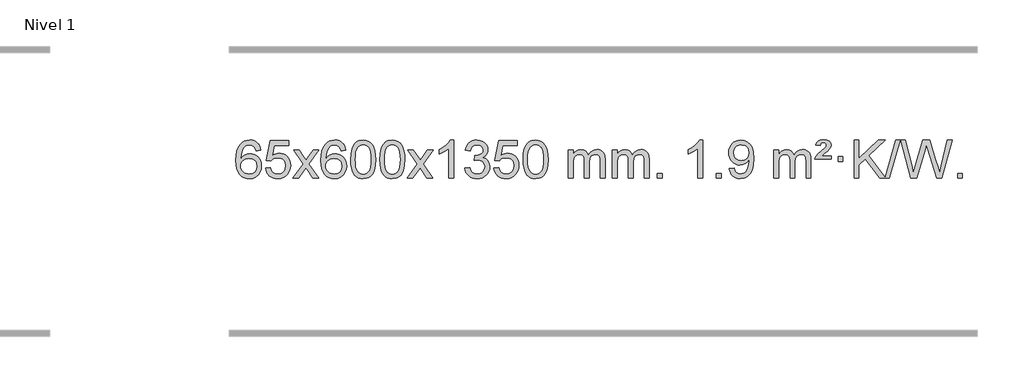
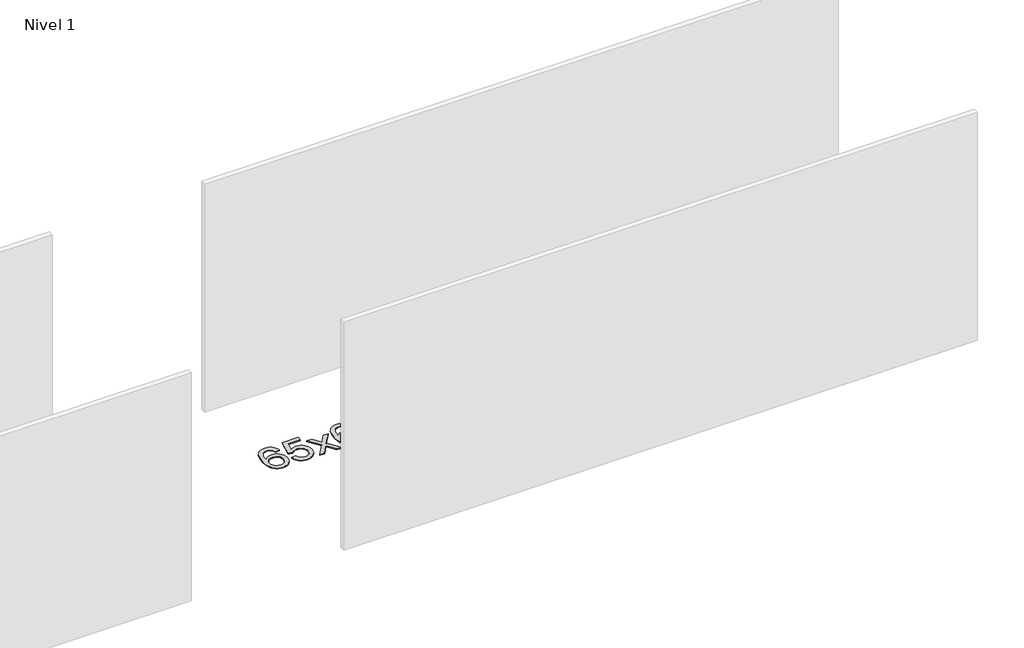
# One storey, part 7 of 10: 1 proxy.
"""IFC4 building model written with IfcOpenShell, lengths in millimetres."""

import ifcopenshell
import ifcopenshell.guid

model = None  # the IFC model being written
_history = None  # IfcOwnerHistory: only IFC2X3 demands one
_inside = {}  # id of a spatial element -> (the spatial element, [elements in it])
_under = {}  # id of a project, library or spatial element -> (it, [spatial elements below it])
_declared = {}  # id of a project -> (the project, [libraries it declares])
_typed = {}  # id of a type object -> (the type object, [elements of that type])
_made_of = {}  # id of a material, layer set ... -> (it, [elements and type objects made of it])


def new_model(schema):
    """Start an empty IFC model of exactly this schema.

    Asked for "IFC4X3", IfcOpenShell would pick the latest addendum, in which some entities
    have other attributes; the version numbers below select the first issue.
    IFC2X3 requires an IfcOwnerHistory on every rooted entity: one is made here for all.
    """
    global model, _history
    if schema == "IFC4X3":
        model = ifcopenshell.file(schema_version=(4, 3, 0, 0))
    else:
        model = ifcopenshell.file(schema=schema)
    _inside.clear()
    _under.clear()
    _declared.clear()
    _typed.clear()
    _made_of.clear()
    _history = None
    if model.schema == "IFC2X3":
        org = make("IfcOrganization", Name="unknown")
        user = make(
            "IfcPersonAndOrganization",
            ThePerson=make("IfcPerson", FamilyName="unknown"),
            TheOrganization=org,
        )
        app = make(
            "IfcApplication",
            ApplicationDeveloper=org,
            Version="unknown",
            ApplicationFullName="unknown",
            ApplicationIdentifier="unknown",
        )
        _history = make(
            "IfcOwnerHistory",
            OwningUser=user,
            OwningApplication=app,
            ChangeAction="ADDED",
            CreationDate=0,
        )
    return model


def make(cls, **values):
    """One entity of the class cls with the attributes given. An attribute that is None is left unset."""
    return model.create_entity(
        cls, **{name: value for name, value in values.items() if value is not None}
    )


def rooted(cls, **values):
    """An entity with a GlobalId (a new one), such as an element, a storey or a relation."""
    return make(cls, GlobalId=ifcopenshell.guid.new(), OwnerHistory=_history, **values)


def si_unit(unit_type, name, prefix=None):
    """IfcSIUnit, for example si_unit("LENGTHUNIT", "METRE", prefix="MILLI")."""
    return make("IfcSIUnit", UnitType=unit_type, Prefix=prefix, Name=name)


def assignment(units):
    """IfcUnitAssignment: the units of a project."""
    return None if units is None else make("IfcUnitAssignment", Units=units)


def point(xyz):
    """IfcCartesianPoint."""
    return None if xyz is None else make("IfcCartesianPoint", Coordinates=xyz)


def direction(xyz):
    """IfcDirection."""
    return None if xyz is None else make("IfcDirection", DirectionRatios=xyz)


def frame(location, z_axis=None, x_axis=None):
    """IfcAxis2Placement3D, a coordinate frame: its origin and axes. An axis left out is left unset."""
    return make(
        "IfcAxis2Placement3D",
        Location=point(location),
        Axis=direction(z_axis),
        RefDirection=direction(x_axis),
    )


def origin():
    """The frame at (0, 0, 0) with its axes left unset."""
    return frame((0.0, 0.0, 0.0))


def origin_with_axes():
    """The frame at (0, 0, 0) with the z axis (0, 0, 1) and the x axis (1, 0, 0) written out."""
    return frame((0.0, 0.0, 0.0), z_axis=(0.0, 0.0, 1.0), x_axis=(1.0, 0.0, 0.0))


def place(relative_to, where):
    """IfcLocalPlacement: puts the frame where relative to a parent placement (None: the world)."""
    return make(
        "IfcLocalPlacement", PlacementRelTo=relative_to, RelativePlacement=where
    )


def context(
    kind, dimensions, precision=None, world=None, true_north=None, identifier=None
):
    """IfcGeometricRepresentationContext, for example the 3D "Model" context."""
    return make(
        "IfcGeometricRepresentationContext",
        ContextIdentifier=identifier,
        ContextType=kind,
        CoordinateSpaceDimension=dimensions,
        Precision=precision,
        WorldCoordinateSystem=world,
        TrueNorth=true_north,
    )


def project(units=None, contexts=None):
    """IfcProject with its units and contexts."""
    return rooted(
        "IfcProject",
        Name="project",
        RepresentationContexts=contexts,
        UnitsInContext=assignment(units),
    )


def spatial(cls, under=None, at=None, **own):
    """A site, building, storey or space (cls), placed at a placement, below another one or the project."""
    s = rooted(cls, ObjectPlacement=at, **own)
    if under is not None:
        _under.setdefault(under.id(), (under, []))[1].append(s)
    return s


def polyline(points):
    """IfcPolyline through the points."""
    return make("IfcPolyline", Points=[point(p) for p in points])


def outline(outer, holes=None, kind="AREA"):
    """IfcArbitraryClosedProfileDef: a profile drawn as a closed curve; with holes, ...WithVoids."""
    if holes is None:
        return make("IfcArbitraryClosedProfileDef", ProfileType=kind, OuterCurve=outer)
    return make(
        "IfcArbitraryProfileDefWithVoids",
        ProfileType=kind,
        OuterCurve=outer,
        InnerCurves=holes,
    )


def extrude(swept, where, along, depth):
    """IfcExtrudedAreaSolid: the profile swept, set in the frame where, extruded along a direction by depth."""
    return make(
        "IfcExtrudedAreaSolid",
        SweptArea=swept,
        Position=where,
        ExtrudedDirection=direction(along),
        Depth=depth,
    )


def shape(context_of_items, identifier, shape_type, items):
    """IfcShapeRepresentation: the items that make up one representation, for example the "Body"."""
    return make(
        "IfcShapeRepresentation",
        ContextOfItems=context_of_items,
        RepresentationIdentifier=identifier,
        RepresentationType=shape_type,
        Items=items,
    )


def made_of(thing, what):
    """Note that an element or type object is made of a material, layer set ...; save() writes the relation."""
    if what is not None:
        _made_of.setdefault(what.id(), (what, []))[1].append(thing)
    return thing


def element(
    cls,
    number,
    at=None,
    inside=None,
    cuts=None,
    type_object=None,
    material=None,
    context=None,
    identifier="Body",
    shape_type=None,
    held_by="IfcProductDefinitionShape",
    body=None,
    shapes=None,
    **own,
):
    """One element of the class cls, such as IfcWall. Its Tag is "e" and its number.

    at: its placement. inside: the storey or other place that contains it. cuts: it is an
    opening in that element (IfcRelVoidsElement). A single representation is given by context,
    identifier, shape_type and body (its items); several are given by shapes. held_by: the class
    of the entity that holds the representations. save() writes the other relations.
    """
    e = rooted(cls, Tag="e%d" % number, ObjectPlacement=at, **own)
    if body is not None:
        shapes = [shape(context, identifier, shape_type, body)]
    if shapes is not None:
        e.Representation = make(held_by, Representations=shapes)
    if inside is not None:
        _inside.setdefault(inside.id(), (inside, []))[1].append(e)
    if cuts is not None:
        rooted(
            "IfcRelVoidsElement", RelatingBuildingElement=cuts, RelatedOpeningElement=e
        )
    if type_object is not None:
        _typed.setdefault(type_object.id(), (type_object, []))[1].append(e)
    return made_of(e, material)


def aggregate(whole, parts):
    """IfcRelAggregates: a whole, such as a stair, and the parts it consists of."""
    return rooted("IfcRelAggregates", RelatingObject=whole, RelatedObjects=parts)


def save(model, path):
    """Write the relations noted so far, then the file.

    IfcRelAggregates (storeys below a building ...), IfcRelContainedInSpatialStructure (elements
    in a storey), IfcRelDefinesByType, IfcRelAssociatesMaterial and IfcRelDeclares: one each for
    every whole, place, type object, material and project.
    """
    for whole, parts in _under.values():
        aggregate(whole, parts)
    for where, things in _inside.values():
        rooted(
            "IfcRelContainedInSpatialStructure",
            RelatedElements=things,
            RelatingStructure=where,
        )
    for kind, things in _typed.values():
        rooted("IfcRelDefinesByType", RelatedObjects=things, RelatingType=kind)
    for what, things in _made_of.values():
        rooted("IfcRelAssociatesMaterial", RelatedObjects=things, RelatingMaterial=what)
    for by, libraries in _declared.values():
        rooted("IfcRelDeclares", RelatingContext=by, RelatedDefinitions=libraries)
    model.write(path)


model = new_model("IFC4")

# Units and contexts
model_context = context("Model", 3, world=origin())
ifc_project = project(units=[si_unit("LENGTHUNIT", "METRE", prefix="MILLI")], contexts=[model_context])

# Site, building, storey
site = spatial("IfcSite", under=ifc_project)
building = spatial("IfcBuilding", under=site)
storey = spatial("IfcBuildingStorey", under=building, Name="Nivel 1", Elevation=0.0)

# Proxy
placement = place(None, origin())
element("IfcBuildingElementProxy", 1, Name="Texto de modelo 1", ObjectType="Texto de modelo 1", at=placement, inside=storey, context=model_context, shape_type="SweptSolid", body=[
    extrude(outline(polyline([(-1498.7504157, -3100.4890419), (-1548.9785708, -3106.7675613), (-1557.0719747, -3081.874213), (-1568.0103327, -3064.8780648), (-1590.7944909, -3049.2062918), (-1618.3365896, -3043.9823675), (-1641.6848336, -3047.0235253), (-1663.6596514, -3056.1469988), (-1682.5319978, -3075.3627017), (-1697.9462534, -3101.8134171), (-1708.3573138, -3139.227016), (-1712.2200748, -3191.3313693), (-1692.0724042, -3167.8237098), (-1667.9270826, -3151.2567573), (-1641.1330106, -3141.434308), (-1613.0390889, -3138.1601582), (-1588.90603, -3140.398107), (-1566.6369065, -3147.1119534), (-1546.2317185, -3158.3016975), (-1527.690466, -3173.9673391), (-1512.2823418, -3193.1769106), (-1501.2765387, -3214.9984443), (-1494.6730569, -3239.4319401), (-1492.4718963, -3266.4773982), (-1496.6167001, -3302.4439945), (-1509.0511116, -3335.786366), (-1528.745061, -3364.0642287), (-1554.668479, -3384.8372987), (-1585.644143, -3397.602804), (-1620.4948306, -3401.8579724), (-1650.4373594, -3399.0375437), (-1677.4797517, -3390.5762579), (-1701.6220076, -3376.4741147), (-1722.8641272, -3356.7311143), (-1740.1821721, -3330.5133908), (-1752.5522042, -3296.9870783), (-1759.9742234, -3256.1521768), (-1762.4482298, -3208.0086864), (-1759.7013776, -3154.0342663), (-1751.4608209, -3107.9693092), (-1737.7265598, -3069.8138149), (-1718.4985942, -3039.5677835), (-1697.6580791, -3019.5243462), (-1673.4943634, -3005.2076052), (-1646.007447, -2996.6175606), (-1615.1973299, -2993.7542124), (-1592.0636838, -2995.5261773), (-1571.1250669, -3000.8420722), (-1552.3814792, -3009.7018969), (-1535.8329208, -3022.1056515), (-1521.9269814, -3037.6364031), (-1511.1112507, -3055.8772186), (-1503.3857288, -3076.8280983), (-1498.7504157, -3100.4890419)]), holes=[polyline([(-1712.2200748, -3265.6925832), (-1709.313807, -3287.9494439), (-1700.5950037, -3309.2007605), (-1687.0569463, -3327.472233), (-1669.6929161, -3340.7895612), (-1648.7359051, -3348.9197533), (-1624.4189053, -3351.6298173), (-1591.2727375, -3346.0134855), (-1577.357601, -3338.9930708), (-1565.2144295, -3329.1644901), (-1555.3643891, -3316.9262824), (-1548.3286459, -3302.6769865), (-1542.7000514, -3268.1451299), (-1548.2550695, -3234.9989621), (-1555.1988422, -3221.3781312), (-1564.9201239, -3209.725469), (-1577.1000836, -3200.3904634), (-1591.4198903, -3193.7226022), (-1626.4790444, -3188.3883133), (-1659.5761613, -3193.7226022), (-1687.25315, -3209.725469), (-1698.1761796, -3221.2248471), (-1705.9783436, -3234.3858254), (-1710.659642, -3249.2084042), (-1712.2200748, -3265.6925832)])]), origin_with_axes(), (0.0, 0.0, 1.0), 10.0),
    extrude(outline(polyline([(-1448.5222606, -3288.8446235), (-1398.2941056, -3282.5661041), (-1389.0725302, -3312.7201649), (-1372.9838243, -3334.3148381), (-1350.1015642, -3347.3010725), (-1320.4993263, -3351.6298173), (-1301.3694626, -3350.1245668), (-1284.4959417, -3345.6088153), (-1269.8787638, -3338.0825628), (-1257.5179287, -3327.5458094), (-1247.6893481, -3314.519721), (-1240.6689334, -3299.5254641), (-1235.0526016, -3263.6324441), (-1240.3133141, -3229.8363514), (-1246.8892048, -3215.9181493), (-1256.0954517, -3203.9865099), (-1267.9627117, -3194.4154467), (-1282.5216417, -3187.5789729), (-1319.7145114, -3182.1097939), (-1344.0805622, -3184.2925604), (-1363.8112999, -3190.8408599), (-1379.568912, -3200.8717757), (-1392.0155862, -3213.5023908), (-1442.2437412, -3207.2238715), (-1398.2941056, -3000.0327318), (-1203.6600046, -3000.0327318), (-1203.6600046, -3050.2608869), (-1357.6799333, -3050.2608869), (-1379.1642418, -3160.919791), (-1361.438461, -3148.2155994), (-1343.2834845, -3139.1411769), (-1324.6993124, -3133.6965234), (-1305.6859446, -3131.8816388), (-1281.2248576, -3134.1318504), (-1258.7564648, -3140.882485), (-1238.2807661, -3152.1335427), (-1219.7977615, -3167.8850234), (-1204.4969362, -3187.1743027), (-1193.5677752, -3209.038756), (-1187.0102787, -3233.4783832), (-1184.8244465, -3260.4931844), (-1186.7926152, -3286.5147042), (-1192.6971212, -3310.7213394), (-1202.5379646, -3333.1130902), (-1216.3151453, -3353.6899565), (-1237.1863171, -3374.7634634), (-1261.5401052, -3389.8159684), (-1289.3765095, -3398.8474714), (-1320.69553, -3401.8579724), (-1346.6158823, -3399.9235262), (-1370.0285056, -3394.1201877), (-1390.9334, -3384.447957), (-1409.3305654, -3370.9068338), (-1424.6375221, -3354.1712688), (-1436.2717902, -3334.915712), (-1444.2333697, -3313.1401636), (-1448.5222606, -3288.8446235)])), origin_with_axes(), (0.0, 0.0, 1.0), 10.0),
    extrude(outline(polyline([(-1159.7103689, -3395.579453), (-1052.3869282, -3247.2494325), (-1153.4318496, -3100.4890419), (-1093.0011005, -3100.4890419), (-1044.2444734, -3171.122385), (-1021.4848406, -3204.4770192), (-1001.7663657, -3177.2047007), (-946.2407099, -3100.4890419), (-885.8099608, -3100.4890419), (-991.9561791, -3247.2494325), (-889.7340354, -3395.579453), (-950.1647845, -3395.579453), (-1011.6746541, -3306.4048574), (-1022.9563686, -3290.1199477), (-1099.2796199, -3395.579453), (-1159.7103689, -3395.579453)])), origin_with_axes(), (0.0, 0.0, 1.0), 10.0),
    extrude(outline(polyline([(-600.9221437, -3100.4890419), (-651.1502988, -3106.7675613), (-659.2437027, -3081.874213), (-670.1820607, -3064.8780648), (-692.9662189, -3049.2062918), (-720.5083176, -3043.9823675), (-743.8565616, -3047.0235253), (-765.8313794, -3056.1469988), (-784.7037258, -3075.3627017), (-800.1179814, -3101.8134171), (-810.5290419, -3139.227016), (-814.3918028, -3191.3313693), (-794.2441322, -3167.8237098), (-770.0988106, -3151.2567573), (-743.3047386, -3141.434308), (-715.2108169, -3138.1601582), (-691.077758, -3140.398107), (-668.8086346, -3147.1119534), (-648.4034466, -3158.3016975), (-629.862194, -3173.9673391), (-614.4540698, -3193.1769106), (-603.4482668, -3214.9984443), (-596.844785, -3239.4319401), (-594.6436244, -3266.4773982), (-598.7884282, -3302.4439945), (-611.2228396, -3335.786366), (-630.9167891, -3364.0642287), (-656.840207, -3384.8372987), (-687.815871, -3397.602804), (-722.6665587, -3401.8579724), (-752.6090874, -3399.0375437), (-779.6514797, -3390.5762579), (-803.7937357, -3376.4741147), (-825.0358552, -3356.7311143), (-842.3539001, -3330.5133908), (-854.7239322, -3296.9870783), (-862.1459515, -3256.1521768), (-864.6199579, -3208.0086864), (-861.8731057, -3154.0342663), (-853.632549, -3107.9693092), (-839.8982878, -3069.8138149), (-820.6703222, -3039.5677835), (-799.8298072, -3019.5243462), (-775.6660915, -3005.2076052), (-748.179175, -2996.6175606), (-717.3690579, -2993.7542124), (-694.2354118, -2995.5261773), (-673.2967949, -3000.8420722), (-654.5532073, -3009.7018969), (-638.0046489, -3022.1056515), (-624.0987094, -3037.6364031), (-613.2829788, -3055.8772186), (-605.5574569, -3076.8280983), (-600.9221437, -3100.4890419)]), holes=[polyline([(-814.3918028, -3265.6925832), (-811.485535, -3287.9494439), (-802.7667318, -3309.2007605), (-789.2286743, -3327.472233), (-771.8646442, -3340.7895612), (-750.9076332, -3348.9197533), (-726.5906333, -3351.6298173), (-693.4444655, -3346.0134855), (-679.5293291, -3338.9930708), (-667.3861575, -3329.1644901), (-657.5361171, -3316.9262824), (-650.500374, -3302.6769865), (-644.8717794, -3268.1451299), (-650.4267976, -3234.9989621), (-657.3705702, -3221.3781312), (-667.0918519, -3209.725469), (-679.2718117, -3200.3904634), (-693.5916183, -3193.7226022), (-728.6507725, -3188.3883133), (-761.7478893, -3193.7226022), (-789.4248781, -3209.725469), (-800.3479076, -3221.2248471), (-808.1500716, -3234.3858254), (-812.83137, -3249.2084042), (-814.3918028, -3265.6925832)])]), origin_with_axes(), (0.0, 0.0, 1.0), 10.0),
    extrude(outline(polyline([(-550.6939887, -3197.9041943), (-547.002906, -3133.5861588), (-535.9296579, -3082.2911459), (-517.5846091, -3043.2343407), (-505.7265461, -3028.0009605), (-492.0781241, -3015.6309284), (-476.5933578, -3006.0598651), (-459.2262619, -2999.2233914), (-418.8450816, -2993.7542124), (-387.8939431, -2996.991574), (-360.1801661, -3006.7036586), (-337.0036004, -3022.5103217), (-319.6640957, -3044.0314184), (-306.5674967, -3071.0830078), (-296.119648, -3103.4811488), (-289.2770429, -3144.6226186), (-286.9961745, -3197.9041943), (-290.650469, -3261.8543477), (-301.6133525, -3313.0267333), (-319.8480367, -3352.1203266), (-331.6785085, -3367.3996922), (-345.3177335, -3379.8341036), (-360.8208939, -3389.4695462), (-378.2431721, -3396.3520052), (-418.8450816, -3401.8579724), (-446.5098076, -3399.4667394), (-471.035274, -3392.2930405), (-492.4214806, -3380.3368757), (-510.6684276, -3363.5982449), (-528.1796106, -3333.3399508), (-540.6875984, -3295.6381776), (-548.1923911, -3250.4929255), (-550.6939887, -3197.9041943)]), holes=[polyline([(-500.4658336, -3197.8060924), (-498.9943056, -3241.4706195), (-494.5797217, -3276.8148822), (-487.2220818, -3303.8388804), (-476.9213859, -3322.5426142), (-464.462449, -3335.2682656), (-450.630086, -3344.3580165), (-435.4242968, -3349.8118671), (-418.8450816, -3351.6298173), (-402.2658663, -3349.8057357), (-387.0600772, -3344.3334911), (-373.2277142, -3335.2130833), (-360.7687773, -3322.4445124), (-350.4680814, -3303.7101217), (-343.1104415, -3276.6922549), (-338.6958576, -3241.3909118), (-337.2243296, -3197.8060924), (-338.6468066, -3155.2973278), (-342.9142378, -3120.5753989), (-350.026623, -3093.6403055), (-359.9839624, -3074.4920476), (-372.2344328, -3061.1440625), (-386.2262114, -3051.6097875), (-401.959298, -3045.8892225), (-419.4336928, -3043.9823675), (-435.9270689, -3045.6623619), (-450.8753406, -3050.7023452), (-464.278508, -3059.1023175), (-476.136571, -3070.8622786), (-486.7806234, -3091.708925), (-494.3835179, -3119.8151094), (-498.9452547, -3155.1808319), (-500.4658336, -3197.8060924)])]), origin_with_axes(), (0.0, 0.0, 1.0), 10.0),
    extrude(outline(polyline([(-243.0465388, -3197.9041943), (-239.3554561, -3133.5861588), (-228.2822081, -3082.2911459), (-209.9371593, -3043.2343407), (-198.0790963, -3028.0009605), (-184.4306743, -3015.6309284), (-168.945908, -3006.0598651), (-151.5788121, -2999.2233914), (-111.1976318, -2993.7542124), (-80.2464932, -2996.991574), (-52.5327163, -3006.7036586), (-29.3561506, -3022.5103217), (-12.0166459, -3044.0314184), (1.0799532, -3071.0830078), (11.5278018, -3103.4811488), (18.3704069, -3144.6226186), (20.6512753, -3197.9041943), (16.9969808, -3261.8543477), (6.0340974, -3313.0267333), (-12.2005869, -3352.1203266), (-24.0310587, -3367.3996922), (-37.6702837, -3379.8341036), (-53.1734441, -3389.4695462), (-70.5957222, -3396.3520052), (-111.1976318, -3401.8579724), (-138.8623578, -3399.4667394), (-163.3878241, -3392.2930405), (-184.7740308, -3380.3368757), (-203.0209778, -3363.5982449), (-220.5321607, -3333.3399508), (-233.0401486, -3295.6381776), (-240.5449413, -3250.4929255), (-243.0465388, -3197.9041943)]), holes=[polyline([(-192.8183838, -3197.8060924), (-191.3468558, -3241.4706195), (-186.9322718, -3276.8148822), (-179.5746319, -3303.8388804), (-169.2739361, -3322.5426142), (-156.8149992, -3335.2682656), (-142.9826361, -3344.3580165), (-127.776847, -3349.8118671), (-111.1976318, -3351.6298173), (-94.6184165, -3349.8057357), (-79.4126274, -3344.3334911), (-65.5802644, -3335.2130833), (-53.1213275, -3322.4445124), (-42.8206316, -3303.7101217), (-35.4629917, -3276.6922549), (-31.0484077, -3241.3909118), (-29.5768798, -3197.8060924), (-30.9993568, -3155.2973278), (-35.266788, -3120.5753989), (-42.3791732, -3093.6403055), (-52.3365125, -3074.4920476), (-64.586983, -3061.1440625), (-78.5787615, -3051.6097875), (-94.3118482, -3045.8892225), (-111.786243, -3043.9823675), (-128.2796191, -3045.6623619), (-143.2278908, -3050.7023452), (-156.6310582, -3059.1023175), (-168.4891211, -3070.8622786), (-179.1331735, -3091.708925), (-186.7360681, -3119.8151094), (-191.2978048, -3155.1808319), (-192.8183838, -3197.8060924)])]), origin_with_axes(), (0.0, 0.0, 1.0), 10.0),
    extrude(outline(polyline([(45.7653528, -3395.579453), (153.0887936, -3247.2494325), (52.0438722, -3100.4890419), (112.4746213, -3100.4890419), (161.2312484, -3171.122385), (183.9908812, -3204.4770192), (203.7093561, -3177.2047007), (259.2350119, -3100.4890419), (319.665761, -3100.4890419), (213.5195426, -3247.2494325), (315.7416864, -3395.579453), (255.3109373, -3395.579453), (193.8010677, -3306.4048574), (182.5193532, -3290.1199477), (106.1961019, -3395.579453), (45.7653528, -3395.579453)])), origin_with_axes(), (0.0, 0.0, 1.0), 10.0),
    extrude(outline(polyline([(535.4898648, -3395.579453), (485.2617098, -3395.579453), (485.2617098, -3082.4382987), (464.292436, -3099.3976587), (437.682305, -3116.3324932), (384.8053996, -3141.6918254), (384.8053996, -3094.2105225), (424.2546122, -3072.7507395), (458.4308496, -3047.219729), (485.3720743, -3020.0700378), (503.1162492, -2993.7542124), (535.4898648, -2993.7542124), (535.4898648, -3395.579453)])), origin_with_axes(), (0.0, 0.0, 1.0), 10.0),
    extrude(outline(polyline([(654.7817331, -3288.8446235), (705.0098882, -3282.5661041), (716.2548145, -3314.1303793), (732.7236652, -3335.4430095), (755.2257805, -3347.5831154), (784.570501, -3351.6298173), (819.0042558, -3346.0625364), (833.2780772, -3339.1034354), (845.5898613, -3329.3606939), (862.5860095, -3304.4428201), (868.2513922, -3274.2274455), (862.6350604, -3245.5449126), (845.786065, -3222.2825078), (820.27958, -3206.8682522), (788.6907794, -3201.730167), (753.4722097, -3207.2238715), (759.064016, -3156.9957164), (767.108369, -3157.5843276), (797.2011162, -3153.979084), (824.1055528, -3143.1633534), (835.1788008, -3134.9841103), (843.0882637, -3124.8673555), (847.8339415, -3112.8130888), (849.415834, -3098.8213102), (844.8295718, -3077.1285352), (831.0707852, -3059.5315131), (810.076986, -3047.8696539), (783.7856861, -3043.9823675), (757.4453352, -3047.9064421), (735.9119758, -3059.6786659), (720.1911519, -3079.299039), (711.2884076, -3106.7675613), (661.0602525, -3100.4890419), (667.0138095, -3076.5092672), (675.8491087, -3055.3867093), (687.5661503, -3037.1213683), (702.1649341, -3021.713244), (719.1856078, -3009.4811677), (738.1683187, -3000.7439703), (759.113067, -2995.5016519), (782.0198525, -2993.7542124), (813.5963904, -2997.2000404), (842.5977544, -3007.5375245), (867.0496443, -3023.8469596), (884.9777602, -3045.2086408), (895.9774319, -3069.8199463), (899.6439891, -3095.8782543), (896.1613729, -3120.1584659), (885.7135242, -3142.1823347), (868.4475959, -3160.9443165), (844.5107408, -3175.4388671), (875.9523886, -3188.1430586), (899.2515817, -3209.77452), (913.6725559, -3239.1560286), (918.4795473, -3275.1103623), (916.0760516, -3300.5923218), (908.8655645, -3324.0631931), (896.848086, -3345.5229762), (880.023616, -3364.971671), (859.5264575, -3381.1094278), (836.4909133, -3392.636397), (810.9169832, -3399.5525785), (782.8046674, -3401.8579724), (757.3962843, -3399.8898037), (734.2442441, -3393.9852977), (713.3485468, -3384.1444543), (694.7091923, -3370.3672736), (679.0803389, -3353.4630959), (667.2161446, -3334.2412617), (659.1166093, -3312.7017708), (654.7817331, -3288.8446235)])), origin_with_axes(), (0.0, 0.0, 1.0), 10.0),
    extrude(outline(polyline([(962.429183, -3288.8446235), (1012.657338, -3282.5661041), (1021.8789134, -3312.7201649), (1037.9676193, -3334.3148381), (1060.8498794, -3347.3010725), (1090.4521173, -3351.6298173), (1109.581981, -3350.1245668), (1126.4555019, -3345.6088153), (1141.0726798, -3338.0825628), (1153.4335149, -3327.5458094), (1163.2620955, -3314.519721), (1170.2825102, -3299.5254641), (1175.898842, -3263.6324441), (1170.6381295, -3229.8363514), (1164.0622388, -3215.9181493), (1154.8559919, -3203.9865099), (1142.9887319, -3194.4154467), (1128.4298019, -3187.5789729), (1091.2369322, -3182.1097939), (1066.8708814, -3184.2925604), (1047.1401437, -3190.8408599), (1031.3825316, -3200.8717757), (1018.9358574, -3213.5023908), (968.7077023, -3207.2238715), (1012.657338, -3000.0327318), (1207.291439, -3000.0327318), (1207.291439, -3050.2608869), (1053.2715103, -3050.2608869), (1031.7872018, -3160.919791), (1049.5129826, -3148.2155994), (1067.667959, -3139.1411769), (1086.2521312, -3133.6965234), (1105.265499, -3131.8816388), (1129.726586, -3134.1318504), (1152.1949788, -3140.882485), (1172.6706775, -3152.1335427), (1191.1536821, -3167.8850234), (1206.4545074, -3187.1743027), (1217.3836684, -3209.038756), (1223.9411649, -3233.4783832), (1226.1269971, -3260.4931844), (1224.1588284, -3286.5147042), (1218.2543224, -3310.7213394), (1208.413479, -3333.1130902), (1194.6362983, -3353.6899565), (1173.7651265, -3374.7634634), (1149.4113384, -3389.8159684), (1121.5749341, -3398.8474714), (1090.2559136, -3401.8579724), (1064.3355613, -3399.9235262), (1040.922938, -3394.1201877), (1020.0180436, -3384.447957), (1001.6208782, -3370.9068338), (986.3139215, -3354.1712688), (974.6796534, -3334.915712), (966.7180739, -3313.1401636), (962.429183, -3288.8446235)])), origin_with_axes(), (0.0, 0.0, 1.0), 10.0),
    extrude(outline(polyline([(1270.0766328, -3197.9041943), (1273.7677155, -3133.5861588), (1284.8409635, -3082.2911459), (1303.1860124, -3043.2343407), (1315.0440753, -3028.0009605), (1328.6924974, -3015.6309284), (1344.1772637, -3006.0598651), (1361.5443595, -2999.2233914), (1401.9255399, -2993.7542124), (1432.8766784, -2996.991574), (1460.5904554, -3006.7036586), (1483.7670211, -3022.5103217), (1501.1065258, -3044.0314184), (1514.2031248, -3071.0830078), (1524.6509735, -3103.4811488), (1531.4935786, -3144.6226186), (1533.7744469, -3197.9041943), (1530.1201525, -3261.8543477), (1519.157269, -3313.0267333), (1500.9225848, -3352.1203266), (1489.0921129, -3367.3996922), (1475.452888, -3379.8341036), (1459.9497276, -3389.4695462), (1442.5274494, -3396.3520052), (1401.9255399, -3401.8579724), (1374.2608138, -3399.4667394), (1349.7353475, -3392.2930405), (1328.3491408, -3380.3368757), (1310.1021939, -3363.5982449), (1292.5910109, -3333.3399508), (1280.0830231, -3295.6381776), (1272.5782304, -3250.4929255), (1270.0766328, -3197.9041943)]), holes=[polyline([(1320.3047879, -3197.8060924), (1321.7763158, -3241.4706195), (1326.1908998, -3276.8148822), (1333.5485397, -3303.8388804), (1343.8492356, -3322.5426142), (1356.3081725, -3335.2682656), (1370.1405355, -3344.3580165), (1385.3463246, -3349.8118671), (1401.9255399, -3351.6298173), (1418.5047551, -3349.8057357), (1433.7105442, -3344.3334911), (1447.5429073, -3335.2130833), (1460.0018442, -3322.4445124), (1470.30254, -3303.7101217), (1477.6601799, -3276.6922549), (1482.0747639, -3241.3909118), (1483.5462919, -3197.8060924), (1482.1238148, -3155.2973278), (1477.8563837, -3120.5753989), (1470.7439984, -3093.6403055), (1460.7866591, -3074.4920476), (1448.5361887, -3061.1440625), (1434.5444101, -3051.6097875), (1418.8113234, -3045.8892225), (1401.3369287, -3043.9823675), (1384.8435526, -3045.6623619), (1369.8952808, -3050.7023452), (1356.4921135, -3059.1023175), (1344.6340505, -3070.8622786), (1333.9899981, -3091.708925), (1326.3871035, -3119.8151094), (1321.8253668, -3155.1808319), (1320.3047879, -3197.8060924)])]), origin_with_axes(), (0.0, 0.0, 1.0), 10.0),
    extrude(outline(polyline([(1747.244106, -3395.579453), (1747.244106, -3100.4890419), (1797.4722611, -3100.4890419), (1797.4722611, -3149.0494653), (1812.5799483, -3126.7435537), (1832.0041177, -3109.2691589), (1855.0825815, -3097.9751816), (1881.1531522, -3094.2105225), (1909.0876584, -3098.048758), (1931.4794092, -3109.5634645), (1948.2057772, -3127.9943524), (1959.1441352, -3152.5811324), (1977.4523959, -3127.0439906), (1998.3358304, -3108.803175), (2021.794439, -3097.8586857), (2047.8282215, -3094.2105225), (2067.9360383, -3095.7280358), (2085.585177, -3100.2805755), (2100.7756377, -3107.8681416), (2113.5074204, -3118.4907342), (2123.5720587, -3132.2709806), (2130.761086, -3149.3315082), (2135.0745024, -3169.6723168), (2136.5123078, -3193.2934066), (2136.5123078, -3395.579453), (2086.2841528, -3395.579453), (2086.2841528, -3214.875817), (2085.1191931, -3189.8230531), (2081.6243142, -3172.9372695), (2075.0760146, -3161.3735121), (2064.7507933, -3152.2868268), (2051.4702533, -3146.4007149), (2036.0559977, -3144.4386776), (2008.8449928, -3149.4663982), (1986.6617085, -3164.54956), (1978.0563355, -3176.1194488), (1971.9096405, -3190.7182326), (1966.9922845, -3229.0024856), (1966.9922845, -3395.579453), (1916.7641294, -3395.579453), (1916.7641294, -3209.2840106), (1913.8578616, -3180.8835206), (1905.1390583, -3160.6254854), (1889.7983791, -3148.4853796), (1867.0264836, -3144.4386776), (1847.6758907, -3147.1364789), (1829.8458767, -3155.2298828), (1815.1305968, -3168.5226856), (1805.1242066, -3186.8186835), (1799.3852475, -3212.2025411), (1797.4722611, -3246.7589232), (1797.4722611, -3395.579453), (1747.244106, -3395.579453)])), origin_with_axes(), (0.0, 0.0, 1.0), 10.0),
    extrude(outline(polyline([(2211.8545404, -3395.579453), (2211.8545404, -3100.4890419), (2262.0826955, -3100.4890419), (2262.0826955, -3149.0494653), (2277.1903828, -3126.7435537), (2296.6145521, -3109.2691589), (2319.693016, -3097.9751816), (2345.7635867, -3094.2105225), (2373.6980929, -3098.048758), (2396.0898436, -3109.5634645), (2412.8162117, -3127.9943524), (2423.7545697, -3152.5811324), (2442.0628303, -3127.0439906), (2462.9462649, -3108.803175), (2486.4048734, -3097.8586857), (2512.438656, -3094.2105225), (2532.5464727, -3095.7280358), (2550.1956114, -3100.2805755), (2565.3860721, -3107.8681416), (2578.1178548, -3118.4907342), (2588.1824931, -3132.2709806), (2595.3715204, -3149.3315082), (2599.6849368, -3169.6723168), (2601.1227423, -3193.2934066), (2601.1227423, -3395.579453), (2550.8945872, -3395.579453), (2550.8945872, -3214.875817), (2549.7296276, -3189.8230531), (2546.2347486, -3172.9372695), (2539.6864491, -3161.3735121), (2529.3612278, -3152.2868268), (2516.0806877, -3146.4007149), (2500.6664321, -3144.4386776), (2473.4554272, -3149.4663982), (2451.2721429, -3164.54956), (2442.6667699, -3176.1194488), (2436.5200749, -3190.7182326), (2431.6027189, -3229.0024856), (2431.6027189, -3395.579453), (2381.3745638, -3395.579453), (2381.3745638, -3209.2840106), (2378.4682961, -3180.8835206), (2369.7494928, -3160.6254854), (2354.4088136, -3148.4853796), (2331.6369181, -3144.4386776), (2312.2863251, -3147.1364789), (2294.4563111, -3155.2298828), (2279.7410313, -3168.5226856), (2269.734641, -3186.8186835), (2263.9956819, -3212.2025411), (2262.0826955, -3246.7589232), (2262.0826955, -3395.579453), (2211.8545404, -3395.579453)])), origin_with_axes(), (0.0, 0.0, 1.0), 10.0),
    extrude(outline(polyline([(2689.0220137, -3395.579453), (2689.0220137, -3345.3512979), (2739.2501687, -3345.3512979), (2739.2501687, -3395.579453), (2689.0220137, -3395.579453)])), origin_with_axes(), (0.0, 0.0, 1.0), 10.0),
    extrude(outline(polyline([(3166.1894869, -3395.579453), (3115.9613318, -3395.579453), (3115.9613318, -3082.4382987), (3094.9920581, -3099.3976587), (3068.3819271, -3116.3324932), (3015.5050216, -3141.6918254), (3015.5050216, -3094.2105225), (3054.9542343, -3072.7507395), (3089.1304716, -3047.219729), (3116.0716964, -3020.0700378), (3133.8158713, -2993.7542124), (3166.1894869, -2993.7542124), (3166.1894869, -3395.579453)])), origin_with_axes(), (0.0, 0.0, 1.0), 10.0),
    extrude(outline(polyline([(3310.5954327, -3395.579453), (3310.5954327, -3345.3512979), (3360.8235878, -3345.3512979), (3360.8235878, -3395.579453), (3310.5954327, -3395.579453)])), origin_with_axes(), (0.0, 0.0, 1.0), 10.0),
    extrude(outline(polyline([(3448.7228592, -3295.1231428), (3498.9510142, -3288.8446235), (3507.5349275, -3317.3554781), (3521.5144433, -3336.7673847), (3540.5462052, -3347.9142092), (3564.2868566, -3351.6298173), (3585.5872241, -3349.2385843), (3604.9500798, -3342.0648854), (3621.0387857, -3330.8935355), (3632.516704, -3316.5093495), (3648.9487664, -3272.8540194), (3654.3934199, -3244.4535294), (3656.2083044, -3214.5815114), (3655.9139988, -3204.7713248), (3638.5131805, -3226.0103787), (3615.741285, -3242.8348486), (3589.2415186, -3253.7977321), (3560.6570876, -3257.4520265), (3536.7968745, -3255.2202091), (3514.8557792, -3248.5247568), (3494.8338016, -3237.3656696), (3476.7309417, -3221.7429475), (3461.7305534, -3202.4720624), (3451.0159903, -3180.3684858), (3444.5872524, -3155.4322179), (3442.4443398, -3127.6632586), (3444.6914856, -3098.968463), (3451.4329232, -3073.2167234), (3462.6686525, -3050.4080397), (3478.3986734, -3030.5424119), (3497.5132088, -3014.4475746), (3518.9024811, -3002.9512623), (3542.5664905, -2996.0534749), (3568.5052368, -2993.7542124), (3605.9678866, -2999.0026622), (3640.0705476, -3014.7480116), (3668.5936649, -3040.2054457), (3689.317684, -3074.5901495), (3701.9360364, -3122.1205032), (3706.1421539, -3187.0148872), (3701.9482992, -3255.821083), (3689.3667349, -3309.0045568), (3668.5078258, -3348.9688042), (3655.0157536, -3364.8950289), (3639.4819364, -3378.117321), (3622.2190738, -3388.503856), (3603.5398655, -3395.9228095), (3561.9324118, -3401.8579724), (3539.3751141, -3400.1074672), (3518.9883202, -3394.8559517), (3500.7720301, -3386.1034259), (3484.7262438, -3373.8498898), (3471.2556314, -3358.4264372), (3460.7648631, -3340.1641618), (3453.2539391, -3319.0630637), (3448.7228592, -3295.1231428)]), holes=[polyline([(3655.9139988, -3126.4860363), (3650.4938708, -3092.444689), (3643.7187107, -3078.3670713), (3634.2334866, -3066.2514909), (3622.5041823, -3056.5087494), (3608.9967817, -3049.5496483), (3576.6476916, -3043.9823675), (3559.0384068, -3045.4814866), (3543.0968537, -3049.978844), (3528.8230322, -3057.4744396), (3516.2169425, -3067.9682736), (3505.9162467, -3080.8472091), (3498.5586068, -3095.4981095), (3494.1440228, -3111.9209749), (3492.6724949, -3130.1158053), (3498.2397757, -3161.1527829), (3505.1988768, -3174.2708417), (3514.9416183, -3185.7886139), (3527.06333, -3195.1665391), (3541.1593418, -3201.8650571), (3575.2742655, -3207.2238715), (3607.3658382, -3201.8650571), (3633.203417, -3185.7886139), (3643.1392966, -3174.0439812), (3650.2363534, -3160.2453407), (3655.9139988, -3126.4860363)])]), origin_with_axes(), (0.0, 0.0, 1.0), 10.0),
    extrude(outline(polyline([(3919.611813, -3395.579453), (3919.611813, -3100.4890419), (3969.8399681, -3100.4890419), (3969.8399681, -3149.0494653), (3984.9476553, -3126.7435537), (4004.3718247, -3109.2691589), (4027.4502885, -3097.9751816), (4053.5208592, -3094.2105225), (4081.4553654, -3098.048758), (4103.8471162, -3109.5634645), (4120.5734842, -3127.9943524), (4131.5118422, -3152.5811324), (4149.8201028, -3127.0439906), (4170.7035374, -3108.803175), (4194.162146, -3097.8586857), (4220.1959285, -3094.2105225), (4240.3037452, -3095.7280358), (4257.952884, -3100.2805755), (4273.1433447, -3107.8681416), (4285.8751274, -3118.4907342), (4295.9397656, -3132.2709806), (4303.128793, -3149.3315082), (4307.4422094, -3169.6723168), (4308.8800148, -3193.2934066), (4308.8800148, -3395.579453), (4258.6518597, -3395.579453), (4258.6518597, -3214.875817), (4257.4869001, -3189.8230531), (4253.9920211, -3172.9372695), (4247.4437216, -3161.3735121), (4237.1185003, -3152.2868268), (4223.8379603, -3146.4007149), (4208.4237047, -3144.4386776), (4181.2126998, -3149.4663982), (4159.0294155, -3164.54956), (4150.4240424, -3176.1194488), (4144.2773474, -3190.7182326), (4139.3599914, -3229.0024856), (4139.3599914, -3395.579453), (4089.1318364, -3395.579453), (4089.1318364, -3209.2840106), (4086.2255686, -3180.8835206), (4077.5067653, -3160.6254854), (4062.1660861, -3148.4853796), (4039.3941906, -3144.4386776), (4020.0435977, -3147.1364789), (4002.2135836, -3155.2298828), (3987.4983038, -3168.5226856), (3977.4919136, -3186.8186835), (3971.7529544, -3212.2025411), (3969.8399681, -3246.7589232), (3969.8399681, -3395.579453), (3919.611813, -3395.579453)])), origin_with_axes(), (0.0, 0.0, 1.0), 10.0),
    extrude(outline(polyline([(4352.8296505, -3194.6668327), (4356.6556233, -3178.8479069), (4364.9942818, -3162.9799302), (4386.5031158, -3137.8413272), (4418.4597984, -3110.1030247), (4462.6056379, -3072.726214), (4469.7425486, -3061.1992448), (4472.1215188, -3049.3779701), (4470.2330579, -3037.2869152), (4464.5676752, -3027.5012541), (4455.198947, -3021.026531), (4442.2004499, -3018.8682899), (4429.7660384, -3020.4869707), (4420.9123451, -3025.343013), (4414.4866729, -3034.8098431), (4409.336325, -3050.2608869), (4359.1081699, -3043.9823675), (4369.948426, -3018.7701881), (4386.5766922, -3001.2099542), (4410.3418691, -2990.9092583), (4442.5928573, -2987.475693), (4478.3755127, -2991.6082341), (4503.1217083, -3004.0058573), (4517.5426825, -3022.3386434), (4522.3496739, -3044.2766731), (4518.253921, -3067.1834586), (4505.9666624, -3088.8149199), (4485.438847, -3108.6314968), (4448.9694786, -3136.6886303), (4423.3648917, -3163.2742358), (4522.3496739, -3163.2742358), (4522.3496739, -3194.6668327), (4352.8296505, -3194.6668327)])), origin_with_axes(), (0.0, 0.0, 1.0), 10.0),
    extrude(outline(polyline([(4597.6919065, -3219.7809102), (4597.6919065, -3169.5527552), (4647.9200616, -3169.5527552), (4647.9200616, -3219.7809102), (4597.6919065, -3219.7809102)])), origin_with_axes(), (0.0, 0.0, 1.0), 10.0),
    extrude(outline(polyline([(5038.5616895, -3395.579453), (4885.1303721, -3192.9009991), (4817.440085, -3257.4520265), (4817.440085, -3395.579453), (4767.2119299, -3395.579453), (4767.2119299, -2993.7542124), (4817.440085, -2993.7542124), (4817.440085, -3190.4484525), (5023.4540023, -2993.7542124), (5093.6949379, -2993.7542124), (4920.7413492, -3158.9577537), (5095.3949591, -3389.5349332), (5206.7082868, -2993.7542124), (5252.0313486, -2993.7542124), (5139.0179997, -3395.579453), (5099.9734572, -3395.579453), (5093.6949379, -3395.579453), (5038.5616895, -3395.579453)])), origin_with_axes(), (0.0, 0.0, 1.0), 10.0),
    extrude(outline(polyline([(5366.5162255, -3395.579453), (5256.9364419, -2993.7542124), (5308.7342268, -2993.7542124), (5372.3042355, -3257.844434), (5391.9246086, -3339.3670841), (5412.9184078, -3267.2622131), (5492.5771225, -2993.7542124), (5567.2326421, -2993.7542124), (5625.1127426, -3192.0180823), (5649.9079891, -3265.5944814), (5668.1794615, -3339.3670841), (5687.2112234, -3260.1988788), (5751.3698434, -2993.7542124), (5803.1676283, -2993.7542124), (5693.4897428, -3395.579453), (5639.8280224, -3395.579453), (5543.4919906, -3085.5775584), (5530.0520351, -3042.3146358), (5514.9443478, -3094.4067263), (5427.1431783, -3395.579453), (5366.5162255, -3395.579453)])), origin_with_axes(), (0.0, 0.0, 1.0), 10.0),
    extrude(outline(polyline([(5859.6743028, -3395.579453), (5859.6743028, -3345.3512979), (5909.9024578, -3345.3512979), (5909.9024578, -3395.579453), (5859.6743028, -3395.579453)])), origin_with_axes(), (0.0, 0.0, 1.0), 10.0),
])

save(model, "model.ifc")
